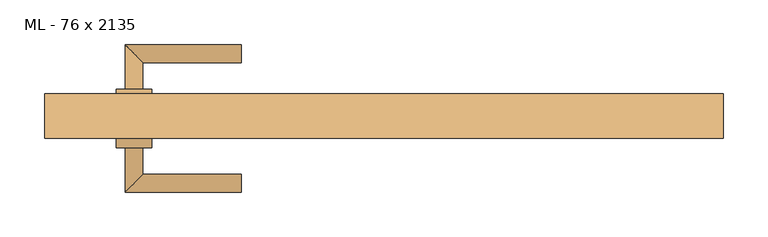
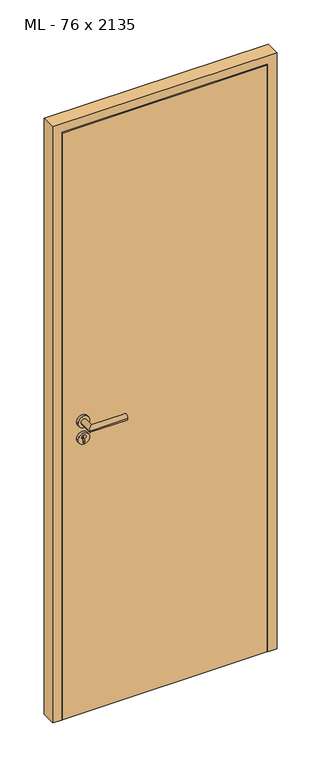
"""IFC4 building model written with IfcOpenShell, lengths in millimetres: door geometry, ML - 76 x 2135."""

from ifc_helpers import new_model, si_unit, point, frame, frame_2d, origin, origin_with_axes, place, context, project, spatial, polyline, circle_curve, ellipse_curve, trimmed, segment, composite_curve, outline, extrude, faceted_brep, source, transform, mapped, element, save
from ifc_brep_helpers import plane_surface, cylinder_surface, advanced_brep


def ml_76_x_2135_df3aeff1(model_context):
    return source(origin(), model_context, "Body", "SolidModel", [
        extrude(outline(polyline([(346.0, -25.0), (-346.0, -25.0), (-346.0, 20.0), (346.0, 20.0), (346.0, -25.0)])), origin_with_axes(), (0.0, 0.0, 1.0), 2101.0),
        advanced_brep(
        [(-270.0, -35.0, 1050.0), (-290.0, -35.0, 1050.0), (-290.0, -85.0, 1050.0), (-270.0, -65.0, 1050.0), (-160.0, -65.0, 1050.0), (-160.0, -85.0, 1050.0)],
        [
            (0, 1, circle_curve(frame((-280.0, -35.0, 1050.0), z_axis=(0.0, 1.0, 0.0), x_axis=(-1.0, 0.0, 0.0)), 10.0)),
            (1, 0, circle_curve(frame((-280.0, -35.0, 1050.0), z_axis=(0.0, 1.0, 0.0), x_axis=(-1.0, 0.0, 0.0)), 10.0)),
            (1, 2),
            (2, 3, ellipse_curve(frame((-280.0, -75.0, 1050.0), z_axis=(-0.7071067811865531, 0.7071067811865419, 0.0), x_axis=(0.707106781186542, 0.707106781186553, 0.0)), 14.1421356, 10.0)),
            (3, 0),
            (3, 2, ellipse_curve(frame((-280.0, -75.0, 1050.0), z_axis=(-0.7071067811865531, 0.7071067811865419, 0.0), x_axis=(0.707106781186542, 0.707106781186553, 0.0)), 14.1421356, 10.0)),
            (4, 5, circle_curve(frame((-160.0, -75.0, 1050.0), z_axis=(1.0, 0.0, 0.0), x_axis=(0.0, -1.0, 0.0)), 10.0)),
            (5, 4, circle_curve(frame((-160.0, -75.0, 1050.0), z_axis=(1.0, 0.0, 0.0), x_axis=(0.0, -1.0, 0.0)), 10.0)),
            (2, 5),
            (4, 3),
        ],
        [
            plane_surface(frame((-280.0, -35.0, 1050.0), z_axis=(0.0, 1.0, 0.0), x_axis=(0.0, 0.0, 1.0))),
            cylinder_surface(frame((-280.0, -35.0, 1050.0), z_axis=(0.0, 1.0, 0.0), x_axis=(-1.0, 0.0, 0.0)), 10.0),
            plane_surface(frame((-160.0, -75.0, 1050.0), z_axis=(1.0, 0.0, 0.0), x_axis=(0.0, 0.0, 1.0))),
            cylinder_surface(frame((-280.0, -75.0, 1050.0), z_axis=(-1.0, 0.0, 0.0), x_axis=(0.0, -1.0, 0.0)), 10.0),
        ],
        [
            (0, [[1, 2]]),
            (1, [[3, 4, 5, -2]]),
            (1, [[-5, 6, -3, -1]]),
            (2, [[7, 8]]),
            (3, [[9, -7, 10, -4]]),
            (3, [[-10, -8, -9, -6]]),
        ],
    ),
        extrude(outline(composite_curve([segment(trimmed(circle_curve(frame_2d((990.0, -280.0)), 20.0), [point((990.0, -300.0))], [point((990.0, -260.0))], False, "CARTESIAN"), True, "CONTINUOUS"), segment(trimmed(circle_curve(frame_2d((990.0, -280.0)), 20.0), [point((990.0, -260.0))], [point((990.0, -300.0))], False, "CARTESIAN"), True, "CONTINUOUS")], self_intersect=False), holes=[composite_curve([segment(polyline([(976.4601385, -282.397268), (988.4749012, -282.397268)]), True, "CONTINUOUS"), segment(trimmed(circle_curve(frame_2d((995.0361633, -280.0)), 6.9854888), [point((988.4749012, -282.397268))], [point((988.4749012, -277.602732))], True, "CARTESIAN"), True, "CONTINUOUS"), segment(polyline([(988.4749012, -277.602732), (976.4601385, -277.602732)]), True, "CONTINUOUS"), segment(trimmed(circle_curve(frame_2d((976.4601385, -280.0)), 2.397268), [point((976.4601385, -277.602732))], [point((976.4601385, -282.397268))], True, "CARTESIAN"), True, "CONTINUOUS")], self_intersect=False)]), frame((0.0, -35.0, 0.0), z_axis=(0.0, 1.0, 0.0), x_axis=(0.0, 0.0, 1.0)), (0.0, 0.0, 1.0), 10.0),
        advanced_brep(
        [(-270.0, -35.0, 1050.0), (-290.0, -35.0, 1050.0), (-290.0, -85.0, 1050.0), (-270.0, -65.0, 1050.0), (-160.0, -65.0, 1050.0), (-160.0, -85.0, 1050.0)],
        [
            (0, 1, circle_curve(frame((-280.0, -35.0, 1050.0), z_axis=(0.0, 1.0, 0.0), x_axis=(-1.0, 0.0, 0.0)), 10.0)),
            (1, 0, circle_curve(frame((-280.0, -35.0, 1050.0), z_axis=(0.0, 1.0, 0.0), x_axis=(-1.0, 0.0, 0.0)), 10.0)),
            (1, 2),
            (2, 3, ellipse_curve(frame((-280.0, -75.0, 1050.0), z_axis=(-0.7071067811865537, 0.7071067811865414, 0.0), x_axis=(0.7071067811865414, 0.7071067811865536, 0.0)), 14.1421356, 10.0)),
            (3, 0),
            (3, 2, ellipse_curve(frame((-280.0, -75.0, 1050.0), z_axis=(-0.7071067811865537, 0.7071067811865414, 0.0), x_axis=(0.7071067811865414, 0.7071067811865536, 0.0)), 14.1421356, 10.0)),
            (4, 5, circle_curve(frame((-160.0, -75.0, 1050.0), z_axis=(1.0, 0.0, 0.0), x_axis=(0.0, -1.0, 0.0)), 10.0)),
            (5, 4, circle_curve(frame((-160.0, -75.0, 1050.0), z_axis=(1.0, 0.0, 0.0), x_axis=(0.0, -1.0, 0.0)), 10.0)),
            (2, 5),
            (4, 3),
        ],
        [
            plane_surface(frame((-280.0, -35.0, 1050.0), z_axis=(0.0, 1.0, 0.0), x_axis=(0.0, 0.0, 1.0))),
            cylinder_surface(frame((-280.0, -35.0, 1050.0), z_axis=(0.0, 1.0, 0.0), x_axis=(-1.0, 0.0, 0.0)), 10.0),
            plane_surface(frame((-160.0, -75.0, 1050.0), z_axis=(1.0, 0.0, 0.0), x_axis=(0.0, 0.0, 1.0))),
            cylinder_surface(frame((-280.0, -75.0, 1050.0), z_axis=(-1.0, 0.0, 0.0), x_axis=(0.0, -1.0, 0.0)), 10.0),
        ],
        [
            (0, [[1, 2]]),
            (1, [[3, 4, 5, -2]]),
            (1, [[-5, 6, -3, -1]]),
            (2, [[7, 8]]),
            (3, [[9, -7, 10, -4]]),
            (3, [[-10, -8, -9, -6]]),
        ],
    ),
        extrude(outline(composite_curve([segment(trimmed(circle_curve(frame_2d((1050.0, -280.0)), 20.0), [point((1050.0, -300.0))], [point((1050.0, -260.0))], False, "CARTESIAN"), True, "CONTINUOUS"), segment(trimmed(circle_curve(frame_2d((1050.0, -280.0)), 20.0), [point((1050.0, -260.0))], [point((1050.0, -300.0))], False, "CARTESIAN"), True, "CONTINUOUS")], self_intersect=False)), frame((0.0, -35.0, 0.0), z_axis=(0.0, 1.0, 0.0), x_axis=(0.0, 0.0, 1.0)), (0.0, 0.0, 1.0), 10.0),
        advanced_brep(
        [(-270.0, 30.0, 1050.0), (-290.0, 30.0, 1050.0), (-270.0, 60.0, 1050.0), (-290.0, 80.0, 1050.0), (-160.0, 60.0, 1050.0), (-160.0, 80.0, 1050.0)],
        [
            (0, 1, circle_curve(frame((-280.0, 30.0, 1050.0), z_axis=(0.0, -1.0, 0.0), x_axis=(-1.0, 0.0, 0.0)), 10.0)),
            (1, 0, circle_curve(frame((-280.0, 30.0, 1050.0), z_axis=(0.0, -1.0, 0.0), x_axis=(-1.0, 0.0, 0.0)), 10.0)),
            (0, 2),
            (2, 3, ellipse_curve(frame((-280.0, 70.0, 1050.0), z_axis=(-0.7071067811865486, -0.7071067811865464, 0.0), x_axis=(0.7071067811865464, -0.7071067811865488, 0.0)), 14.1421356, 10.0)),
            (3, 1),
            (3, 2, ellipse_curve(frame((-280.0, 70.0, 1050.0), z_axis=(-0.7071067811865486, -0.7071067811865464, 0.0), x_axis=(0.7071067811865464, -0.7071067811865488, 0.0)), 14.1421356, 10.0)),
            (4, 5, circle_curve(frame((-160.0, 70.0, 1050.0), z_axis=(1.0, 0.0, 0.0), x_axis=(0.0, 1.0, 0.0)), 10.0)),
            (5, 4, circle_curve(frame((-160.0, 70.0, 1050.0), z_axis=(1.0, 0.0, 0.0), x_axis=(0.0, 1.0, 0.0)), 10.0)),
            (2, 4),
            (5, 3),
        ],
        [
            plane_surface(frame((-280.0, 30.0, 1050.0), z_axis=(0.0, -1.0, 0.0), x_axis=(0.0, 0.0, 1.0))),
            cylinder_surface(frame((-280.0, 30.0, 1050.0), z_axis=(0.0, -1.0, 0.0), x_axis=(-1.0, 0.0, 0.0)), 10.0),
            plane_surface(frame((-160.0, 70.0, 1050.0), z_axis=(1.0, 0.0, 0.0), x_axis=(0.0, 0.0, 1.0))),
            cylinder_surface(frame((-280.0, 70.0, 1050.0), z_axis=(-1.0, 0.0, 0.0), x_axis=(0.0, 1.0, 0.0)), 10.0),
        ],
        [
            (0, [[1, 2]]),
            (1, [[-1, 3, 4, 5]]),
            (1, [[-2, -5, 6, -3]]),
            (2, [[7, 8]]),
            (3, [[-4, 9, -8, 10]]),
            (3, [[-6, -10, -7, -9]]),
        ],
    ),
        extrude(outline(composite_curve([segment(trimmed(circle_curve(frame_2d((990.0, -280.0)), 20.0), [point((990.0, -300.0))], [point((990.0, -260.0))], False, "CARTESIAN"), True, "CONTINUOUS"), segment(trimmed(circle_curve(frame_2d((990.0, -280.0)), 20.0), [point((990.0, -260.0))], [point((990.0, -300.0))], False, "CARTESIAN"), True, "CONTINUOUS")], self_intersect=False), holes=[composite_curve([segment(polyline([(976.4601385, -282.397268), (988.4749012, -282.397268)]), True, "CONTINUOUS"), segment(trimmed(circle_curve(frame_2d((995.0361633, -280.0)), 6.9854888), [point((988.4749012, -282.397268))], [point((988.4749012, -277.602732))], True, "CARTESIAN"), True, "CONTINUOUS"), segment(polyline([(988.4749012, -277.602732), (976.4601385, -277.602732)]), True, "CONTINUOUS"), segment(trimmed(circle_curve(frame_2d((976.4601385, -280.0)), 2.397268), [point((976.4601385, -277.602732))], [point((976.4601385, -282.397268))], True, "CARTESIAN"), True, "CONTINUOUS")], self_intersect=False)]), frame((0.0, 20.0, 0.0), z_axis=(0.0, 1.0, 0.0), x_axis=(0.0, 0.0, 1.0)), (0.0, 0.0, 1.0), 10.0),
        advanced_brep(
        [(-270.0, 30.0, 1050.0), (-290.0, 30.0, 1050.0), (-270.0, 60.0, 1050.0), (-290.0, 80.0, 1050.0), (-160.0, 60.0, 1050.0), (-160.0, 80.0, 1050.0)],
        [
            (0, 1, circle_curve(frame((-280.0, 30.0, 1050.0), z_axis=(0.0, -1.0, 0.0), x_axis=(-1.0, 0.0, 0.0)), 10.0)),
            (1, 0, circle_curve(frame((-280.0, 30.0, 1050.0), z_axis=(0.0, -1.0, 0.0), x_axis=(-1.0, 0.0, 0.0)), 10.0)),
            (0, 2),
            (2, 3, ellipse_curve(frame((-280.0, 70.0, 1050.0), z_axis=(-0.7071067811865491, -0.7071067811865459, 0.0), x_axis=(0.7071067811865458, -0.7071067811865492, 0.0)), 14.1421356, 10.0)),
            (3, 1),
            (3, 2, ellipse_curve(frame((-280.0, 70.0, 1050.0), z_axis=(-0.7071067811865491, -0.7071067811865459, 0.0), x_axis=(0.7071067811865458, -0.7071067811865492, 0.0)), 14.1421356, 10.0)),
            (4, 5, circle_curve(frame((-160.0, 70.0, 1050.0), z_axis=(1.0, 0.0, 0.0), x_axis=(0.0, 1.0, 0.0)), 10.0)),
            (5, 4, circle_curve(frame((-160.0, 70.0, 1050.0), z_axis=(1.0, 0.0, 0.0), x_axis=(0.0, 1.0, 0.0)), 10.0)),
            (2, 4),
            (5, 3),
        ],
        [
            plane_surface(frame((-280.0, 30.0, 1050.0), z_axis=(0.0, -1.0, 0.0), x_axis=(0.0, 0.0, 1.0))),
            cylinder_surface(frame((-280.0, 30.0, 1050.0), z_axis=(0.0, -1.0, 0.0), x_axis=(-1.0, 0.0, 0.0)), 10.0),
            plane_surface(frame((-160.0, 70.0, 1050.0), z_axis=(1.0, 0.0, 0.0), x_axis=(0.0, 0.0, 1.0))),
            cylinder_surface(frame((-280.0, 70.0, 1050.0), z_axis=(-1.0, 0.0, 0.0), x_axis=(0.0, 1.0, 0.0)), 10.0),
        ],
        [
            (0, [[1, 2]]),
            (1, [[-1, 3, 4, 5]]),
            (1, [[-2, -5, 6, -3]]),
            (2, [[7, 8]]),
            (3, [[-4, 9, -8, 10]]),
            (3, [[-6, -10, -7, -9]]),
        ],
    ),
        extrude(outline(composite_curve([segment(trimmed(circle_curve(frame_2d((1050.0, -280.0)), 20.0), [point((1050.0, -300.0))], [point((1050.0, -260.0))], False, "CARTESIAN"), True, "CONTINUOUS"), segment(trimmed(circle_curve(frame_2d((1050.0, -280.0)), 20.0), [point((1050.0, -260.0))], [point((1050.0, -300.0))], False, "CARTESIAN"), True, "CONTINUOUS")], self_intersect=False)), frame((0.0, 20.0, 0.0), z_axis=(0.0, 1.0, 0.0), x_axis=(0.0, 0.0, 1.0)), (0.0, 0.0, 1.0), 10.0),
        faceted_brep([(-350.0, -25.0, 0.0), (-380.0, -25.0, 0.0), (-380.0, 25.0, 0.0), (-335.0, 25.0, 0.0), (-335.0, 20.0, 0.0), (-350.0, 20.0, 0.0), (-350.0, 20.0, 2105.0), (-350.0, -25.0, 2105.0), (-335.0, 20.0, 2090.0), (335.0, 20.0, 2090.0), (335.0, 20.0, 0.0), (350.0, 20.0, 0.0), (350.0, 20.0, 2105.0), (-335.0, 25.0, 2090.0), (-380.0, 25.0, 2135.0), (380.0, 25.0, 2135.0), (380.0, 25.0, 0.0), (335.0, 25.0, 0.0), (335.0, 25.0, 2090.0), (-380.0, -25.0, 2135.0), (350.0, -25.0, 2105.0), (350.0, -25.0, 0.0), (380.0, -25.0, 0.0), (380.0, -25.0, 2135.0)], [[[0, 1, 2, 3, 4, 5]], [[5, 6, 7, 0]], [[4, 8, 9, 10, 11, 12, 6, 5]], [[3, 13, 8, 4]], [[2, 14, 15, 16, 17, 18, 13, 3]], [[1, 19, 14, 2]], [[0, 7, 20, 21, 22, 23, 19, 1]], [[23, 22, 16, 15]], [[21, 11, 10, 17, 16, 22]], [[12, 11, 21, 20]], [[18, 17, 10, 9]], [[19, 23, 15, 14]], [[13, 18, 9, 8]], [[6, 12, 20, 7]]]),
    ])


if __name__ == "__main__":
    model = new_model("IFC4")
    model_context = context("Model", 3, world=origin())
    ifc_project = project(units=[si_unit("LENGTHUNIT", "METRE", prefix="MILLI")], contexts=[model_context])
    site = spatial("IfcSite", under=ifc_project)
    building = spatial("IfcBuilding", under=site)
    placement = place(None, origin())
    ml_76_x_2135_shape = ml_76_x_2135_df3aeff1(model_context)
    element("IfcDoor", 1, ObjectType="ML - 76 x 2135", at=placement, inside=building, context=model_context, shape_type="MappedRepresentation", body=[
        mapped(ml_76_x_2135_shape, transform((0.0, 0.0, 0.0), x_axis=(1.0, 0.0, 0.0), y_axis=(0.0, 1.0, 0.0), z_axis=(0.0, 0.0, 1.0))),
    ])
    save(model, "model.ifc")
